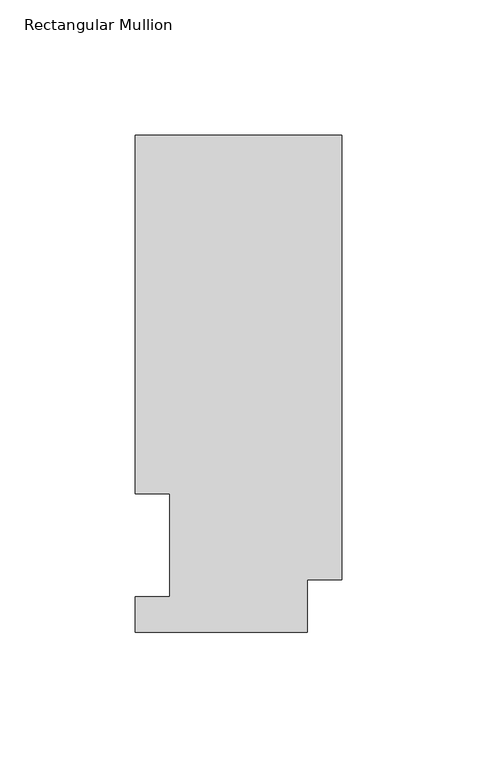
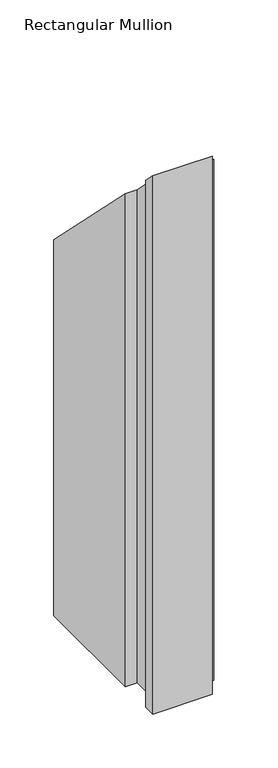
"""IFC4 building model written with IfcOpenShell, lengths in millimetres: member geometry, Rectangular Mullion."""

from ifc_helpers import new_model, si_unit, origin, place, context, project, spatial, faceted_brep, source, transform, mapped, element, save


def rectangular_mullion_be20f6bd(model_context):
    return source(origin(), model_context, "Body", "Brep", [
        faceted_brep([(0.0, 183.6554938, -609.56825), (0.0, 19.5460937, -609.56825), (-12.7, 19.5460937, -609.56825), (-12.7, 0.0134937, -609.56825), (-76.2000004, 0.0134937, -609.56825), (-76.2000004, 13.1960937, -609.56825), (-63.4943324, 13.1960937, -609.56825), (-63.4943324, 51.2960938, -609.56825), (-76.2000004, 51.2960938, -609.56825), (-76.2000004, 183.6554938, -609.56825), (0.0, 183.6554938, -183.6554937), (0.0, 19.5460937, -19.5460937), (-12.7, 19.5460937, -19.5460937), (-12.7, 0.0134937, -0.0134937), (-76.2000004, 0.0134937, -0.0134937), (-76.2000004, 13.1960937, -13.1960937), (-63.4943324, 13.1960937, -13.1960937), (-63.4943324, 51.2960938, -51.2960937), (-76.2000004, 51.2960938, -51.2960938), (-76.2000004, 183.6554938, -183.6554938)], [[[0, 1, 2, 3, 4, 5, 6, 7, 8, 9]], [[10, 11, 1, 0]], [[11, 12, 2, 1]], [[12, 13, 3, 2]], [[13, 14, 4, 3]], [[14, 15, 5, 4]], [[15, 16, 6, 5]], [[16, 17, 7, 6]], [[17, 18, 8, 7]], [[18, 19, 9, 8]], [[19, 10, 0, 9]], [[10, 19, 18, 17, 16, 15, 14, 13, 12, 11]]]),
    ])


if __name__ == "__main__":
    model = new_model("IFC4")
    model_context = context("Model", 3, world=origin())
    ifc_project = project(units=[si_unit("LENGTHUNIT", "METRE", prefix="MILLI")], contexts=[model_context])
    site = spatial("IfcSite", under=ifc_project)
    building = spatial("IfcBuilding", under=site)
    placement = place(None, origin())
    rectangular_mullion_shape = rectangular_mullion_be20f6bd(model_context)
    element("IfcMember", 1, ObjectType="Rectangular Mullion", at=placement, inside=building, context=model_context, shape_type="MappedRepresentation", body=[
        mapped(rectangular_mullion_shape, transform((0.0, 0.0, 0.0), x_axis=(1.0, 0.0, 0.0), y_axis=(0.0, 1.0, 0.0), z_axis=(0.0, 0.0, 1.0))),
    ])
    save(model, "model.ifc")
